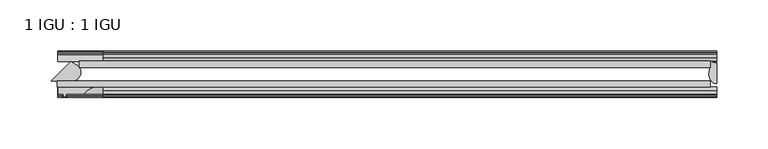
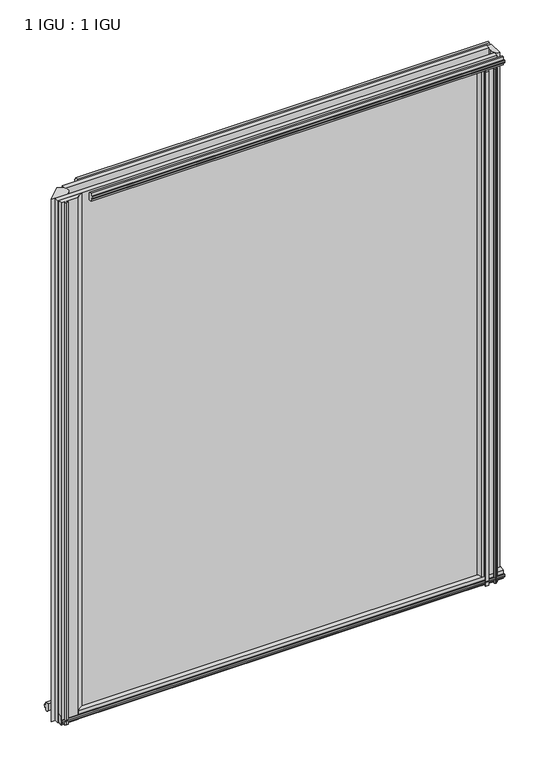
"""IFC4 building model written with IfcOpenShell, lengths in millimetres: plate geometry, 1 IGU : 1 IGU."""

from ifc_helpers import new_model, si_unit, point, frame, frame_2d, origin, place, context, project, spatial, polyline, circle_curve, ellipse_curve, trimmed, segment, composite_curve, outline, extrude, source, transform, mapped, element, save
from ifc_brep_helpers import plane_surface, cylinder_surface, revolved_surface, extruded_surface, advanced_brep


def plate_1_igu_1_igu_2a896661(model_context):
    return source(origin(), model_context, "Body", "SolidModel", [
        extrude(outline(polyline([(-321.2703126, -38.6468937), (314.3250001, -38.6468937), (314.3250001, -44.9460938), (-321.2703126, -44.9460938), (-321.2703126, -38.6468937)])), frame((0.0, 0.0, -12.7), z_axis=(0.0, 0.0, 1.0), x_axis=(1.0, 0.0, 0.0)), (0.0, 0.0, 1.0), 800.0999999),
        extrude(outline(polyline([(-299.9382813, -19.5460937), (314.3250001, -19.5460937), (314.3250001, -25.8960938), (-299.9382813, -25.8960938), (-299.9382813, -19.5460937)])), frame((0.0, 0.0, -12.7), z_axis=(0.0, 0.0, 1.0), x_axis=(1.0, 0.0, 0.0)), (0.0, 0.0, 1.0), 800.0999999),
        extrude(outline(composite_curve([segment(trimmed(circle_curve(frame_2d((-306.7623355, -30.324123)), 8.3601973), [point((-300.5949227, -24.6800183))], [point((-305.9721542, -38.6468937))], False, "CARTESIAN"), True, "CONTINUOUS"), segment(polyline([(-305.9721542, -38.6468937), (-327.0758001, -38.6468937), (-308.346803, -19.9178967), (-303.5442302, -22.8189613)]), True, "CONTINUOUS"), segment(trimmed(circle_curve(frame_2d((-305.8354262, -29.7174148)), 7.2689917), [point((-303.5442302, -22.8189613))], [point((-300.5949227, -24.6800183))], False, "CARTESIAN"), True, "CONTINUOUS")], self_intersect=False)), frame((0.0, 0.0, -12.7), z_axis=(0.0, 0.0, 1.0), x_axis=(1.0, 0.0, 0.0)), (0.0, 0.0, 1.0), 800.0999999),
        advanced_brep(
        [(320.6750001, -21.1709383, -12.4587), (320.6750001, -41.5384061, -12.4587), (313.1526629, -32.2460938, -12.4587), (314.3250001, -25.8452938, -12.4587), (314.3250001, -19.5460938, -12.4587), (320.6750001, -21.1709383, 787.3999999), (314.3250001, -19.5460938, 787.3999999), (314.3250001, -25.8452938, 787.3999999), (313.1526629, -32.2460938, 787.3999999), (320.6750001, -41.5384061, 787.3999999)],
        [
            (0, 1),
            (1, 2, ellipse_curve(frame((320.6750001, -32.2460938, -12.4587), z_axis=(0.0, 0.0, -1.0), x_axis=(0.0, -1.0, 0.0)), 9.2923124, 7.5223371)),
            (2, 3, circle_curve(frame((331.2125764, -32.2460938, -12.4587), z_axis=(0.0, 0.0, -1.0), x_axis=(1.0, 0.0, 0.0)), 18.0599135)),
            (3, 4),
            (4, 0, circle_curve(frame((320.6750001, -7.950406, -12.4587), z_axis=(0.0, 0.0, 1.0), x_axis=(1.0, 0.0, 0.0)), 13.2205323)),
            (5, 6, circle_curve(frame((320.6750001, -7.950406, 787.3999999), z_axis=(0.0, 0.0, -1.0), x_axis=(1.0, 0.0, 0.0)), 13.2205323)),
            (6, 7),
            (7, 8, circle_curve(frame((331.2125764, -32.2460938, 787.3999999), z_axis=(0.0, 0.0, 1.0), x_axis=(1.0, 0.0, 0.0)), 18.0599135)),
            (8, 9, ellipse_curve(frame((320.6750001, -32.2460938, 787.3999999), z_axis=(0.0, 0.0, 1.0), x_axis=(0.0, -1.0, 0.0)), 9.2923124, 7.5223371)),
            (9, 5),
            (1, 9),
            (8, 2),
            (7, 3),
            (6, 4),
            (5, 0),
        ],
        [
            plane_surface(frame((320.6750001, -13.1960938, -12.4587), z_axis=(0.0, 0.0, -1.0), x_axis=(0.0, 1.0, 0.0))),
            plane_surface(frame((320.6750001, -13.1960938, 787.3999999), z_axis=(0.0, 0.0, 1.0), x_axis=(0.0, 1.0, 0.0))),
            extruded_surface(trimmed(ellipse_curve(frame((320.6750001, -32.2460938, 787.3999999), z_axis=(0.0, 0.0, -1.0), x_axis=(0.0, -1.0, 0.0)), 9.2923124, 7.5223371), [point((320.6750001, -41.5384061, 787.3999999))], [point((313.1526629, -32.2460938, 787.3999999))], True, "CARTESIAN"), (0.0, 0.0, -799.8586999), 799.8586999),
            cylinder_surface(frame((331.2125764, -32.2460938, -12.4587), z_axis=(0.0, 0.0, -1.0), x_axis=(1.0, 0.0, 0.0)), 18.0599135),
            plane_surface(frame((314.3250001, -25.8452938, -12.4587), z_axis=(-1.0, 0.0, 0.0), x_axis=(0.0, 0.0, 1.0))),
            revolved_surface(polyline([(333.8955324, -7.950406, 787.3999999), (333.8955324, -7.950406, -12.4587)]), (320.6750001, -7.950406, -12.4587), (0.0, 0.0, 1.0)),
            plane_surface(frame((320.6750001, -21.1709383, -12.4587), z_axis=(1.0, 0.0, 0.0), x_axis=(0.0, 0.0, 1.0))),
        ],
        [
            (0, [[1, 2, 3, 4, 5]]),
            (1, [[6, 7, 8, 9, 10]]),
            (2, [[-2, 11, -9, 12]]),
            (3, [[-3, -12, -8, 13]]),
            (4, [[-4, -13, -7, 14]]),
            (5, [[-5, -14, -6, 15]]),
            (6, [[-1, -15, -10, -11]]),
        ],
    ),
        extrude(outline(composite_curve([segment(polyline([(-320.3656598, -44.9460937), (-285.0054922, -44.9460937)]), True, "CONTINUOUS"), segment(trimmed(circle_curve(frame_2d((-281.8166561, -61.7346627)), 17.0887309), [point((-285.0054922, -44.9460937))], [point((-295.3466598, -51.2960937))], True, "CARTESIAN"), True, "CONTINUOUS"), segment(polyline([(-295.3466598, -51.2960937), (-312.7456598, -51.2960937), (-313.0631598, -53.4006957), (-311.844554, -53.0741712), (-311.6407598, -53.8347412), (-314.0156598, -54.4710937), (-316.3905598, -53.8347412), (-316.1867657, -53.0741712), (-314.9681598, -53.4006957), (-315.2856598, -51.2960937), (-320.3656598, -51.2960937), (-320.3656598, -44.9460937)]), True, "CONTINUOUS")], self_intersect=False)), frame((0.0, 0.0, -12.4587), z_axis=(0.0, 0.0, 1.0), x_axis=(1.0, 0.0, 0.0)), (0.0, 0.0, 1.0), 799.6174),
        extrude(outline(polyline([(-44.9460937, 1.7177181), (-44.9460937, -9.1036578), (-48.3496937, -11.938), (-51.2960937, -11.938), (-51.2960937, -7.493), (-53.6762907, -7.112), (-53.2163575, -8.5275291), (-54.0175717, -8.5275291), (-54.7250937, -6.35), (-54.0175717, -4.1724709), (-53.2163575, -4.1724709), (-53.6762907, -5.588), (-51.2960937, -5.207), (-51.2960937, 0.0), (-44.9460937, 1.7177181)])), frame((-320.6750001, 0.0, 0.0), z_axis=(1.0, 0.0, 0.0), x_axis=(0.0, 1.0, 0.0)), (0.0, 0.0, 1.0), 641.3500002),
        extrude(outline(polyline([(-13.1960937, -12.4587), (-16.1424937, -12.4587), (-19.5460937, -9.6243578), (-19.5460937, 1.1970181), (-13.1960937, -0.5207), (-13.1960937, -5.7277), (-10.8158968, -6.1087), (-11.27583, -4.6931709), (-10.4746158, -4.6931709), (-9.7670937, -6.8707), (-10.4746158, -9.0482291), (-11.27583, -9.0482291), (-10.8158968, -7.6327), (-13.1960937, -8.0137), (-13.1960937, -12.4587)])), frame((-320.6750001, 0.0, 0.0), z_axis=(1.0, 0.0, 0.0), x_axis=(0.0, 1.0, 0.0)), (0.0, 0.0, 1.0), 641.3500002),
        extrude(outline(polyline([(-51.2960937, 786.6379999), (-48.3496937, 786.6379999), (-44.9460937, 783.8036577), (-44.9460937, 772.9822818), (-51.2960937, 774.6999999), (-51.2960937, 779.9069999), (-53.6762907, 780.2879999), (-53.2163575, 778.8724708), (-54.0175717, 778.8724708), (-54.7250937, 781.0499999), (-54.0175717, 783.2275289), (-53.2163575, 783.2275289), (-53.6762907, 781.8119999), (-51.2960937, 782.1929999), (-51.2960937, 786.6379999)])), frame((-276.7210938, 0.0, 0.0), z_axis=(1.0, 0.0, 0.0), x_axis=(0.0, 1.0, 0.0)), (0.0, 0.0, 1.0), 597.3960939),
        extrude(outline(polyline([(-19.5460937, 773.5029818), (-19.5460937, 784.3243577), (-16.1424937, 787.1586999), (-13.1960937, 787.1586999), (-13.1960937, 782.7136999), (-10.8158968, 782.3326999), (-11.27583, 783.7482289), (-10.4746158, 783.7482289), (-9.7670937, 781.5706999), (-10.4746158, 779.3931708), (-11.27583, 779.3931708), (-10.8158968, 780.8086999), (-13.1960937, 780.4276999), (-13.1960937, 775.2206999), (-19.5460937, 773.5029818)])), frame((-276.7210938, 0.0, 0.0), z_axis=(1.0, 0.0, 0.0), x_axis=(0.0, 1.0, 0.0)), (0.0, 0.0, 1.0), 597.3960939),
        extrude(outline(composite_curve([segment(polyline([(311.1500002, -44.9460938), (311.1500002, -51.2960938), (309.4990002, -51.2960938), (309.4990002, -52.9470938), (310.576631, -52.9470938)]), True, "CONTINUOUS"), segment(trimmed(circle_curve(frame_2d((309.4990002, -52.9470938)), 1.0776307), [point((310.576631, -52.9470938))], [point((310.2610002, -53.7090938))], False, "CARTESIAN"), True, "CONTINUOUS"), segment(polyline([(310.2610002, -53.7090938), (308.5217078, -54.8194621)]), True, "CONTINUOUS"), segment(trimmed(circle_curve(frame_2d((307.9750002, -53.9630938)), 1.016), [point((308.5217078, -54.8194621))], [point((307.4282926, -54.8194621))], False, "CARTESIAN"), True, "CONTINUOUS"), segment(polyline([(307.4282926, -54.8194621), (305.6890002, -53.7090938)]), True, "CONTINUOUS"), segment(trimmed(circle_curve(frame_2d((306.4510002, -52.9470938)), 1.0776307), [point((305.6890002, -53.7090938))], [point((305.3733695, -52.9470938))], False, "CARTESIAN"), True, "CONTINUOUS"), segment(polyline([(305.3733695, -52.9470938), (306.4510002, -52.9470938), (306.4510002, -51.2960938), (297.3832002, -51.2960938)]), True, "CONTINUOUS"), segment(trimmed(circle_curve(frame_2d((297.3832002, -51.7532938)), 0.4572), [point((297.3832002, -51.2960938))], [point((297.0443824, -52.0602698))], True, "CARTESIAN"), True, "CONTINUOUS"), segment(trimmed(circle_curve(frame_2d((295.2750002, -53.663367)), 2.3876), [point((297.0443824, -52.0602698))], [point((297.3456432, -54.8520938))], False, "CARTESIAN"), True, "CONTINUOUS"), segment(polyline([(297.3456432, -54.8520938), (293.2043572, -54.8520938)]), True, "CONTINUOUS"), segment(trimmed(circle_curve(frame_2d((295.2750002, -53.663367)), 2.3876), [point((293.2043572, -54.8520938))], [point((293.5056181, -52.0602698))], False, "CARTESIAN"), True, "CONTINUOUS"), segment(trimmed(circle_curve(frame_2d((293.1668002, -51.7532938)), 0.4572), [point((293.5056181, -52.0602698))], [point((293.1668002, -51.2960938))], True, "CARTESIAN"), True, "CONTINUOUS"), segment(polyline([(293.1668002, -51.2960938), (288.9250002, -51.2960938)]), True, "CONTINUOUS"), segment(trimmed(circle_curve(frame_2d((279.9090688, -51.9750196)), 9.0414579), [point((288.9250002, -51.2960938))], [point((285.5960857, -44.9460938))], True, "CARTESIAN"), True, "CONTINUOUS"), segment(polyline([(285.5960857, -44.9460938), (311.1500002, -44.9460938)]), True, "CONTINUOUS")], self_intersect=False)), frame((0.0, 0.0, -12.7), z_axis=(0.0, 0.0, 1.0), x_axis=(1.0, 0.0, 0.0)), (0.0, 0.0, 1.0), 787.3999999),
    ])


if __name__ == "__main__":
    model = new_model("IFC4")
    model_context = context("Model", 3, world=origin())
    ifc_project = project(units=[si_unit("LENGTHUNIT", "METRE", prefix="MILLI")], contexts=[model_context])
    site = spatial("IfcSite", under=ifc_project)
    building = spatial("IfcBuilding", under=site)
    placement = place(None, origin())
    plate_1_igu_1_igu_shape = plate_1_igu_1_igu_2a896661(model_context)
    element("IfcPlate", 1, ObjectType="1 IGU : 1 IGU", at=placement, inside=building, context=model_context, shape_type="MappedRepresentation", body=[
        mapped(plate_1_igu_1_igu_shape, transform((0.0, 0.0, 0.0), x_axis=(1.0, 0.0, 0.0), y_axis=(0.0, 1.0, 0.0), z_axis=(0.0, 0.0, 1.0))),
    ])
    save(model, "model.ifc")
